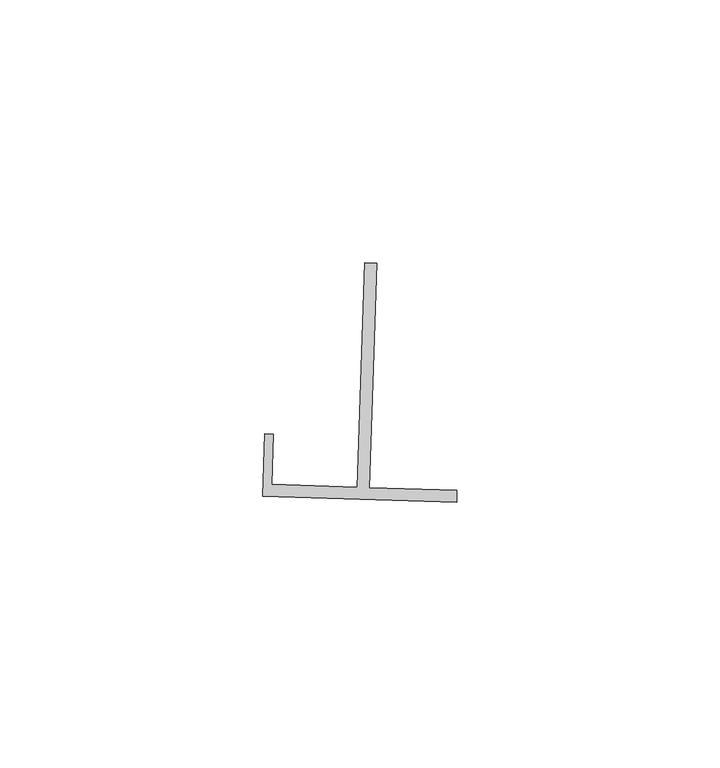
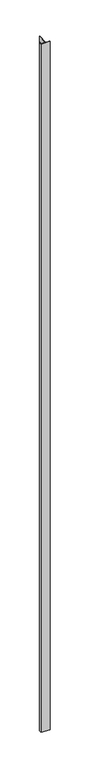
"""IFC4 building model written with IfcOpenShell, lengths in millimetres: proxy geometry."""

from ifc_helpers import new_model, si_unit, frame, origin, place, context, project, spatial, polyline, outline, extrude, source, transform, mapped, element, save


def generic_models_d3a95768(model_context):
    return source(origin(), model_context, "Body", "SweptSolid", [
        extrude(outline(polyline([(17987.8057025, -14693.5859401), (17989.226611, -14650.9154471), (17991.5126308, -14650.9915706), (17990.0917223, -14693.6620633), (18006.7598803, -14694.2171057), (18006.6837601, -14696.5030284), (17969.8233656, -14695.2755936), (17970.2164589, -14683.4650023), (17971.8166922, -14683.5182894), (17971.4995252, -14693.0429514), (17987.8057025, -14693.5859401)])), frame((0.0, 0.0, 73.975708), z_axis=(0.0, 0.0, 1.0), x_axis=(1.0, 0.0, 0.0)), (0.0, 0.0, 1.0), 2959.11),
    ])


if __name__ == "__main__":
    model = new_model("IFC4")
    model_context = context("Model", 3, world=origin())
    ifc_project = project(units=[si_unit("LENGTHUNIT", "METRE", prefix="MILLI")], contexts=[model_context])
    site = spatial("IfcSite", under=ifc_project)
    building = spatial("IfcBuilding", under=site)
    placement = place(None, origin())
    generic_models_shape = generic_models_d3a95768(model_context)
    element("IfcBuildingElementProxy", 1, Name="Generic Models", at=placement, inside=building, context=model_context, shape_type="MappedRepresentation", body=[
        mapped(generic_models_shape, transform((0.0, 0.0, 0.0), x_axis=(1.0, 0.0, 0.0), y_axis=(0.0, 1.0, 0.0), z_axis=(0.0, 0.0, 1.0))),
    ])
    save(model, "model.ifc")
